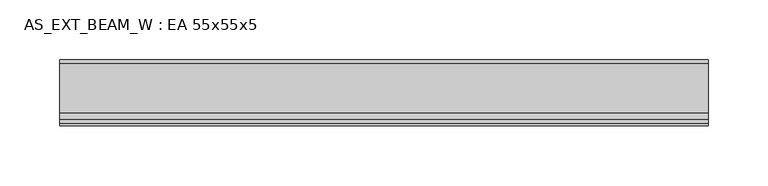
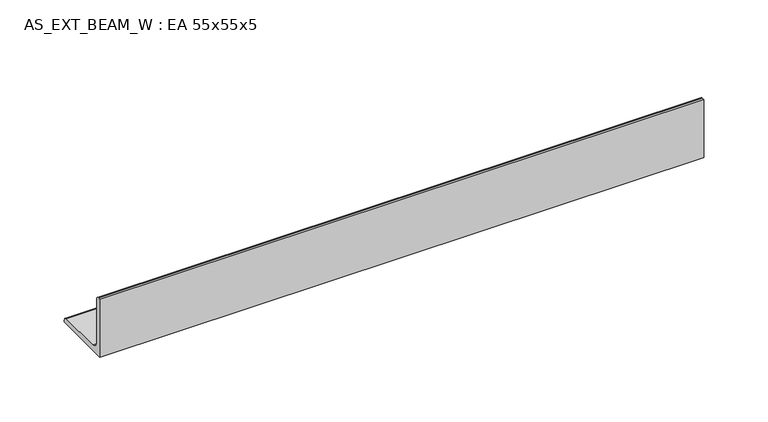
"""IFC4 building model written with IfcOpenShell, lengths in millimetres: beam geometry, AS_EXT_BEAM_W : EA 55x55x5."""

from ifc_helpers import new_model, si_unit, point, frame, frame_2d, origin, place, context, project, spatial, polyline, circle_curve, trimmed, segment, composite_curve, outline, extrude, source, transform, mapped, element, save


def as_ext_beam_w_ea_55x55x5_d6bbbfee(model_context):
    return source(origin(), model_context, "Body", "SweptSolid", [
        extrude(outline(composite_curve([segment(polyline([(-15.2, -15.2), (-15.2, 39.8), (-13.2, 39.8)]), True, "CONTINUOUS"), segment(trimmed(circle_curve(frame_2d((-13.2, 36.8)), 3.0), [point((-13.2, 39.8))], [point((-10.2, 36.8))], False, "CARTESIAN"), True, "CONTINUOUS"), segment(polyline([(-10.2, 36.8), (-10.2, -4.2)]), True, "CONTINUOUS"), segment(trimmed(circle_curve(frame_2d((-4.2, -4.2)), 6.0), [point((-10.2, -4.2))], [point((-4.2, -10.2))], True, "CARTESIAN"), True, "CONTINUOUS"), segment(polyline([(-4.2, -10.2), (36.8, -10.2)]), True, "CONTINUOUS"), segment(trimmed(circle_curve(frame_2d((36.8, -13.2)), 3.0), [point((36.8, -10.2))], [point((39.8, -13.2))], False, "CARTESIAN"), True, "CONTINUOUS"), segment(polyline([(39.8, -13.2), (39.8, -15.2), (-15.2, -15.2)]), True, "CONTINUOUS")], self_intersect=False)), frame((-270.3, 0.0, 0.0), z_axis=(1.0, 0.0, 0.0), x_axis=(0.0, 1.0, 0.0)), (0.0, 0.0, 1.0), 540.6),
    ])


if __name__ == "__main__":
    model = new_model("IFC4")
    model_context = context("Model", 3, world=origin())
    ifc_project = project(units=[si_unit("LENGTHUNIT", "METRE", prefix="MILLI")], contexts=[model_context])
    site = spatial("IfcSite", under=ifc_project)
    building = spatial("IfcBuilding", under=site)
    placement = place(None, origin())
    as_ext_beam_w_ea_55x55x5_shape = as_ext_beam_w_ea_55x55x5_d6bbbfee(model_context)
    element("IfcBeam", 1, ObjectType="AS_EXT_BEAM_W : EA 55x55x5", at=placement, inside=building, context=model_context, shape_type="MappedRepresentation", body=[
        mapped(as_ext_beam_w_ea_55x55x5_shape, transform((0.0, 0.0, 0.0), x_axis=(1.0, 0.0, 0.0), y_axis=(0.0, 1.0, 0.0), z_axis=(0.0, 0.0, 1.0))),
    ])
    save(model, "model.ifc")
